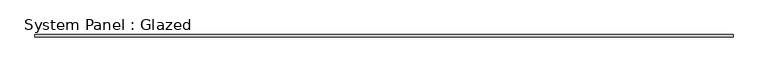
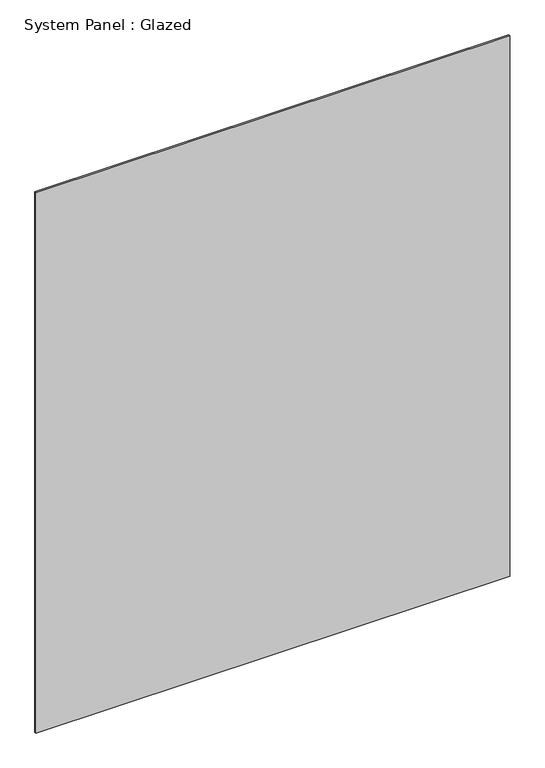
"""IFC4 building model written with IfcOpenShell, lengths in millimetres: plate geometry, System Panel : Glazed."""

from ifc_helpers import new_model, si_unit, origin, origin_with_axes, place, context, project, spatial, polyline, outline, extrude, source, transform, mapped, element, save


def system_panel_glazed_dde46fcb(model_context):
    return source(origin(), model_context, "Body", "SweptSolid", [
        extrude(outline(polyline([(973.0, -3.0), (-973.0, -3.0), (-973.0, 3.0), (973.0, 3.0), (973.0, -3.0)])), origin_with_axes(), (0.0, 0.0, 1.0), 2346.0),
    ])


if __name__ == "__main__":
    model = new_model("IFC4")
    model_context = context("Model", 3, world=origin())
    ifc_project = project(units=[si_unit("LENGTHUNIT", "METRE", prefix="MILLI")], contexts=[model_context])
    site = spatial("IfcSite", under=ifc_project)
    building = spatial("IfcBuilding", under=site)
    placement = place(None, origin())
    system_panel_glazed_shape = system_panel_glazed_dde46fcb(model_context)
    element("IfcPlate", 1, ObjectType="System Panel : Glazed", at=placement, inside=building, context=model_context, shape_type="MappedRepresentation", body=[
        mapped(system_panel_glazed_shape, transform((0.0, 0.0, 0.0), x_axis=(1.0, 0.0, 0.0), y_axis=(0.0, 1.0, 0.0), z_axis=(0.0, 0.0, 1.0))),
    ])
    save(model, "model.ifc")
